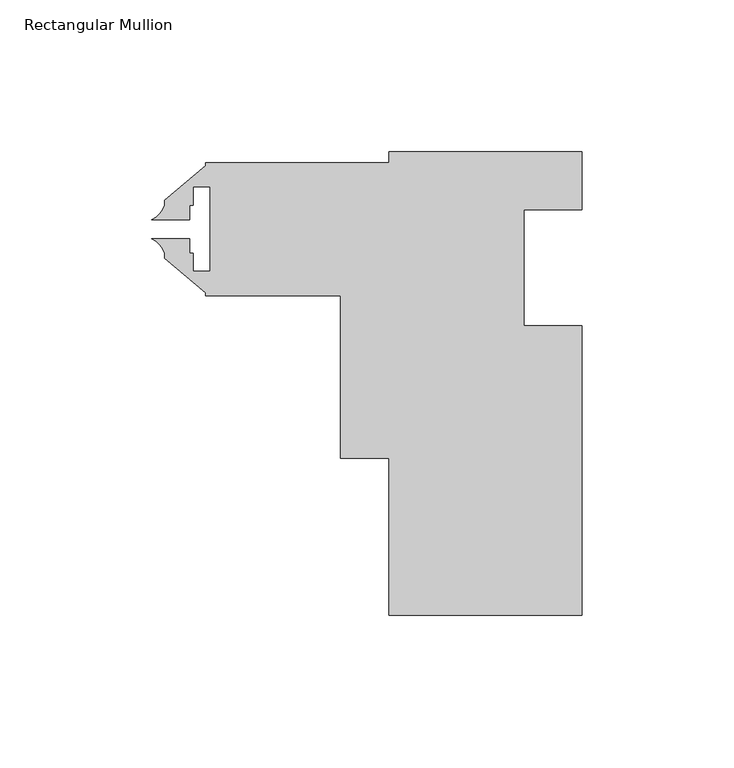
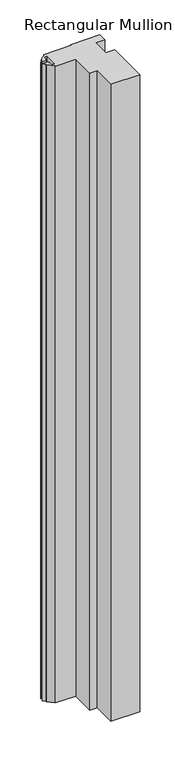
"""IFC4 building model written with IfcOpenShell, lengths in millimetres: member geometry, Rectangular Mullion."""

from ifc_helpers import new_model, si_unit, point, frame, frame_2d, origin, place, context, project, spatial, polyline, circle_curve, trimmed, segment, composite_curve, outline, extrude, source, transform, mapped, element, save


def rectangular_mullion_2c5a83a5(model_context):
    return source(origin(), model_context, "Body", "SweptSolid", [
        extrude(outline(composite_curve([segment(polyline([(31.4325, -57.15), (31.4325, -152.4), (-32.0675, -152.4), (-32.0675, -100.8126375), (-47.9425, -100.8126375), (-47.9425, -47.2948), (-92.3925, -47.2948), (-92.3925, -46.2282933), (-105.8545, -34.932334), (-105.8545, -33.2441997)]), True, "CONTINUOUS"), segment(trimmed(circle_curve(frame_2d((-113.2305024, -35.6343561)), 7.7535965), [point((-105.8545, -33.2441997))], [point((-110.0523084, -28.5620621))], True, "CARTESIAN"), True, "CONTINUOUS"), segment(polyline([(-110.0523084, -28.5620621), (-97.55973, -28.5620621), (-97.55973, -33.3248), (-96.4311, -33.3248), (-96.4311, -39.2938), (-90.8177, -39.2938), (-90.8177, -11.5062), (-96.4311, -11.5062), (-96.4311, -17.4752), (-97.55973, -17.4752), (-97.55973, -22.2379445), (-110.0523231, -22.2379445)]), True, "CONTINUOUS"), segment(trimmed(circle_curve(frame_2d((-113.2305024, -15.1656439)), 7.7535965), [point((-110.0523231, -22.2379445))], [point((-105.8545, -17.5558003))], True, "CARTESIAN"), True, "CONTINUOUS"), segment(polyline([(-105.8545, -17.5558003), (-105.8545, -15.867666), (-92.3925, -4.5717067), (-92.3925, -3.5052), (-32.0675, -3.5052), (-32.0675, 0.0), (31.4325, 0.0), (31.4325, -19.05), (12.3825, -19.05), (12.3825, -57.15), (31.4325, -57.15)]), True, "CONTINUOUS")], self_intersect=False)), frame((0.0, 0.0, -1473.2), z_axis=(0.0, 0.0, 1.0), x_axis=(1.0, 0.0, 0.0)), (0.0, 0.0, 1.0), 1473.2),
    ])


if __name__ == "__main__":
    model = new_model("IFC4")
    model_context = context("Model", 3, world=origin())
    ifc_project = project(units=[si_unit("LENGTHUNIT", "METRE", prefix="MILLI")], contexts=[model_context])
    site = spatial("IfcSite", under=ifc_project)
    building = spatial("IfcBuilding", under=site)
    placement = place(None, origin())
    rectangular_mullion_shape = rectangular_mullion_2c5a83a5(model_context)
    element("IfcMember", 1, ObjectType="Rectangular Mullion", at=placement, inside=building, context=model_context, shape_type="MappedRepresentation", body=[
        mapped(rectangular_mullion_shape, transform((0.0, 0.0, 0.0), x_axis=(1.0, 0.0, 0.0), y_axis=(0.0, 1.0, 0.0), z_axis=(0.0, 0.0, 1.0))),
    ])
    save(model, "model.ifc")
